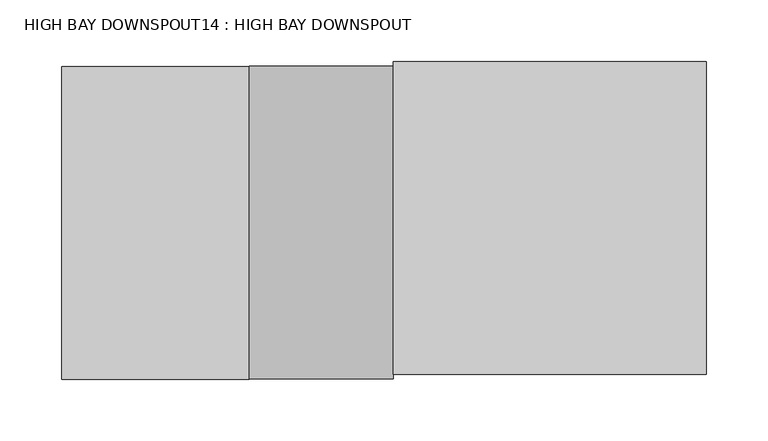
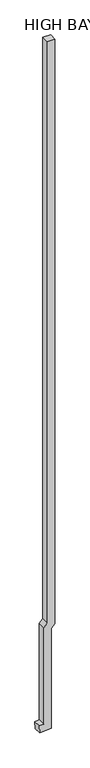
"""IFC4 building model written with IfcOpenShell, lengths in millimetres: proxy geometry, HIGH BAY DOWNSPOUT14 : HIGH BAY DOWNSPOUT."""

from ifc_helpers import new_model, si_unit, frame, origin, place, context, project, spatial, polyline, outline, extrude, source, transform, mapped, element, save


def high_bay_downspout14_high_bay_downspout_8ce95529(model_context):
    return source(origin(), model_context, "Body", "SweptSolid", [
        extrude(outline(polyline([(3783.965, 383855.6673809), (24408.9887487, 383855.6673809), (24408.9887487, 383601.6673809), (3889.1752448, 383601.6673809), (3772.3352448, 383484.8273809), (364.6303549, 383484.8273809), (355.1053549, 383332.4273809), (101.6, 383348.2714656), (126.0097447, 383738.8273809), (3667.125, 383738.8273809), (3783.965, 383855.6673809)])), frame((0.0, 20594.7132308, 0.0), z_axis=(0.0, 1.0, 0.0), x_axis=(0.0, 0.0, 1.0)), (0.0, 0.0, 1.0), 254.0),
    ])


if __name__ == "__main__":
    model = new_model("IFC4")
    model_context = context("Model", 3, world=origin())
    ifc_project = project(units=[si_unit("LENGTHUNIT", "METRE", prefix="MILLI")], contexts=[model_context])
    site = spatial("IfcSite", under=ifc_project)
    building = spatial("IfcBuilding", under=site)
    placement = place(None, origin())
    high_bay_downspout14_high_bay_downspout_shape = high_bay_downspout14_high_bay_downspout_8ce95529(model_context)
    element("IfcBuildingElementProxy", 1, Name="HIGH BAY DOWNSPOUT14 : HIGH BAY DOWNSPOUT", ObjectType="HIGH BAY DOWNSPOUT14 : HIGH BAY DOWNSPOUT", at=placement, inside=building, context=model_context, shape_type="MappedRepresentation", body=[
        mapped(high_bay_downspout14_high_bay_downspout_shape, transform((0.0, 0.0, 0.0), x_axis=(1.0, 0.0, 0.0), y_axis=(0.0, 1.0, 0.0), z_axis=(0.0, 0.0, 1.0))),
    ])
    save(model, "model.ifc")
